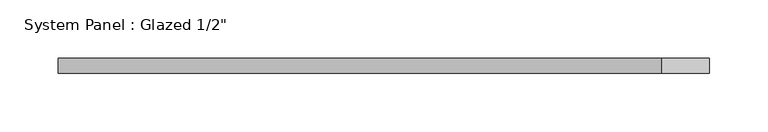
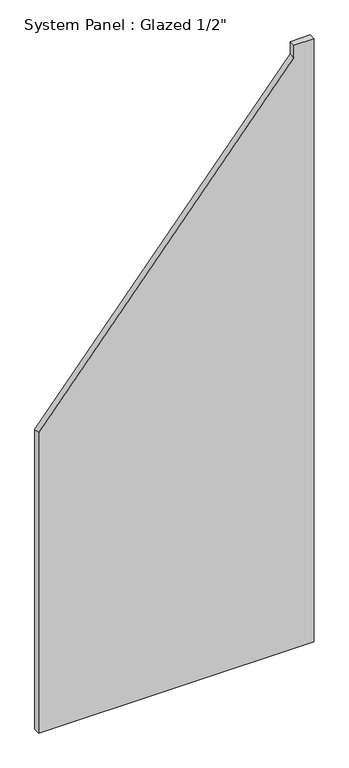
"""IFC4 building model written with IfcOpenShell, lengths in millimetres: plate geometry."""

from ifc_helpers import new_model, si_unit, frame, origin, place, context, project, spatial, polyline, outline, extrude, source, transform, mapped, element, save


def plate_69567354(model_context):
    return source(origin(), model_context, "Body", "SweptSolid", [
        extrude(outline(polyline([(0.0, -279.0247799), (0.0, 279.0247799), (1290.1649297, 279.0247799), (1290.1649297, 238.2482133), (1263.8205992, 238.2482133), (642.1358324, -279.0247799), (0.0, -279.0247799)])), frame((0.0, -6.35, 0.0), z_axis=(0.0, 1.0, 0.0), x_axis=(0.0, 0.0, 1.0)), (0.0, 0.0, 1.0), 12.7),
    ])


if __name__ == "__main__":
    model = new_model("IFC4")
    model_context = context("Model", 3, world=origin())
    ifc_project = project(units=[si_unit("LENGTHUNIT", "METRE", prefix="MILLI")], contexts=[model_context])
    site = spatial("IfcSite", under=ifc_project)
    building = spatial("IfcBuilding", under=site)
    placement = place(None, origin())
    plate_shape = plate_69567354(model_context)
    element("IfcPlate", 1, ObjectType="System Panel : Glazed 1/2\"", at=placement, inside=building, context=model_context, shape_type="MappedRepresentation", body=[
        mapped(plate_shape, transform((0.0, 0.0, 0.0), x_axis=(1.0, 0.0, 0.0), y_axis=(0.0, 1.0, 0.0), z_axis=(0.0, 0.0, 1.0))),
    ])
    save(model, "model.ifc")
